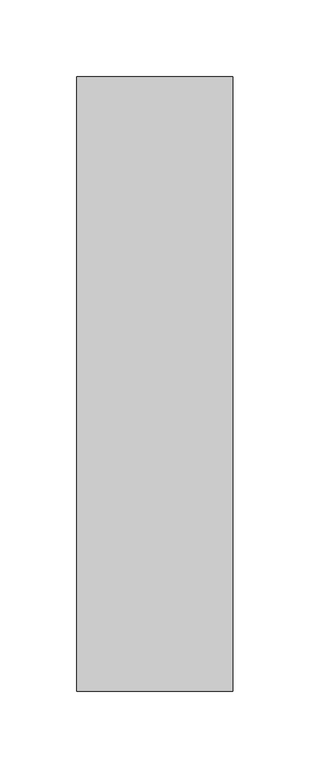
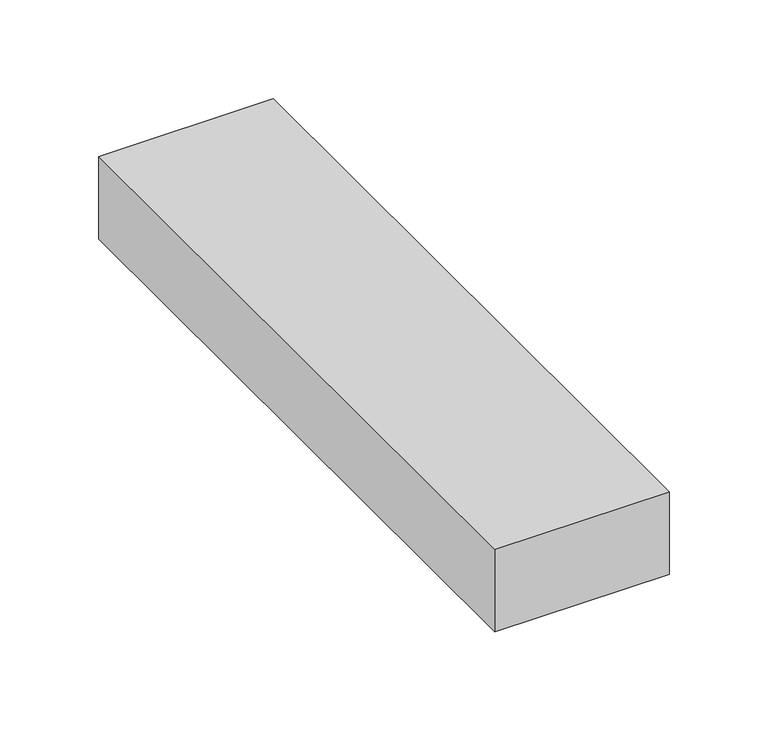
"""IFC4 building model written with IfcOpenShell, lengths in millimetres: proxy geometry."""

import ifcopenshell
import ifcopenshell.guid

model = None  # the IFC model being written
_history = None  # IfcOwnerHistory: only IFC2X3 demands one
_inside = {}  # id of a spatial element -> (the spatial element, [elements in it])
_under = {}  # id of a project, library or spatial element -> (it, [spatial elements below it])
_declared = {}  # id of a project -> (the project, [libraries it declares])
_typed = {}  # id of a type object -> (the type object, [elements of that type])
_made_of = {}  # id of a material, layer set ... -> (it, [elements and type objects made of it])


def new_model(schema):
    """Start an empty IFC model of exactly this schema.

    Asked for "IFC4X3", IfcOpenShell would pick the latest addendum, in which some entities
    have other attributes; the version numbers below select the first issue.
    IFC2X3 requires an IfcOwnerHistory on every rooted entity: one is made here for all.
    """
    global model, _history
    if schema == "IFC4X3":
        model = ifcopenshell.file(schema_version=(4, 3, 0, 0))
    else:
        model = ifcopenshell.file(schema=schema)
    _inside.clear()
    _under.clear()
    _declared.clear()
    _typed.clear()
    _made_of.clear()
    _history = None
    if model.schema == "IFC2X3":
        org = make("IfcOrganization", Name="unknown")
        user = make(
            "IfcPersonAndOrganization",
            ThePerson=make("IfcPerson", FamilyName="unknown"),
            TheOrganization=org,
        )
        app = make(
            "IfcApplication",
            ApplicationDeveloper=org,
            Version="unknown",
            ApplicationFullName="unknown",
            ApplicationIdentifier="unknown",
        )
        _history = make(
            "IfcOwnerHistory",
            OwningUser=user,
            OwningApplication=app,
            ChangeAction="ADDED",
            CreationDate=0,
        )
    return model


def make(cls, **values):
    """One entity of the class cls with the attributes given. An attribute that is None is left unset."""
    return model.create_entity(
        cls, **{name: value for name, value in values.items() if value is not None}
    )


def rooted(cls, **values):
    """An entity with a GlobalId (a new one), such as an element, a storey or a relation."""
    return make(cls, GlobalId=ifcopenshell.guid.new(), OwnerHistory=_history, **values)


def si_unit(unit_type, name, prefix=None):
    """IfcSIUnit, for example si_unit("LENGTHUNIT", "METRE", prefix="MILLI")."""
    return make("IfcSIUnit", UnitType=unit_type, Prefix=prefix, Name=name)


def assignment(units):
    """IfcUnitAssignment: the units of a project."""
    return None if units is None else make("IfcUnitAssignment", Units=units)


def point(xyz):
    """IfcCartesianPoint."""
    return None if xyz is None else make("IfcCartesianPoint", Coordinates=xyz)


def direction(xyz):
    """IfcDirection."""
    return None if xyz is None else make("IfcDirection", DirectionRatios=xyz)


def frame(location, z_axis=None, x_axis=None):
    """IfcAxis2Placement3D, a coordinate frame: its origin and axes. An axis left out is left unset."""
    return make(
        "IfcAxis2Placement3D",
        Location=point(location),
        Axis=direction(z_axis),
        RefDirection=direction(x_axis),
    )


def origin():
    """The frame at (0, 0, 0) with its axes left unset."""
    return frame((0.0, 0.0, 0.0))


def origin_with_axes():
    """The frame at (0, 0, 0) with the z axis (0, 0, 1) and the x axis (1, 0, 0) written out."""
    return frame((0.0, 0.0, 0.0), z_axis=(0.0, 0.0, 1.0), x_axis=(1.0, 0.0, 0.0))


def place(relative_to, where):
    """IfcLocalPlacement: puts the frame where relative to a parent placement (None: the world)."""
    return make(
        "IfcLocalPlacement", PlacementRelTo=relative_to, RelativePlacement=where
    )


def context(
    kind, dimensions, precision=None, world=None, true_north=None, identifier=None
):
    """IfcGeometricRepresentationContext, for example the 3D "Model" context."""
    return make(
        "IfcGeometricRepresentationContext",
        ContextIdentifier=identifier,
        ContextType=kind,
        CoordinateSpaceDimension=dimensions,
        Precision=precision,
        WorldCoordinateSystem=world,
        TrueNorth=true_north,
    )


def project(units=None, contexts=None):
    """IfcProject with its units and contexts."""
    return rooted(
        "IfcProject",
        Name="project",
        RepresentationContexts=contexts,
        UnitsInContext=assignment(units),
    )


def spatial(cls, under=None, at=None, **own):
    """A site, building, storey or space (cls), placed at a placement, below another one or the project."""
    s = rooted(cls, ObjectPlacement=at, **own)
    if under is not None:
        _under.setdefault(under.id(), (under, []))[1].append(s)
    return s


def polyline(points):
    """IfcPolyline through the points."""
    return make("IfcPolyline", Points=[point(p) for p in points])


def outline(outer, holes=None, kind="AREA"):
    """IfcArbitraryClosedProfileDef: a profile drawn as a closed curve; with holes, ...WithVoids."""
    if holes is None:
        return make("IfcArbitraryClosedProfileDef", ProfileType=kind, OuterCurve=outer)
    return make(
        "IfcArbitraryProfileDefWithVoids",
        ProfileType=kind,
        OuterCurve=outer,
        InnerCurves=holes,
    )


def extrude(swept, where, along, depth):
    """IfcExtrudedAreaSolid: the profile swept, set in the frame where, extruded along a direction by depth."""
    return make(
        "IfcExtrudedAreaSolid",
        SweptArea=swept,
        Position=where,
        ExtrudedDirection=direction(along),
        Depth=depth,
    )


def shape(context_of_items, identifier, shape_type, items):
    """IfcShapeRepresentation: the items that make up one representation, for example the "Body"."""
    return make(
        "IfcShapeRepresentation",
        ContextOfItems=context_of_items,
        RepresentationIdentifier=identifier,
        RepresentationType=shape_type,
        Items=items,
    )


def source(mapping_origin, context_of_items, identifier, shape_type, items):
    """IfcRepresentationMap: a shape defined once, which mapped items show again and again."""
    return make(
        "IfcRepresentationMap",
        MappingOrigin=mapping_origin,
        MappedRepresentation=shape(context_of_items, identifier, shape_type, items),
    )


def transform(
    local_origin,
    x_axis=None,
    y_axis=None,
    z_axis=None,
    scale=None,
    scale2=None,
    scale3=None,
    uniform=True,
):
    """IfcCartesianTransformationOperator3D, or its non-uniform kind. x_axis, y_axis, z_axis: its Axis1, 2, 3."""
    if uniform:
        return make(
            "IfcCartesianTransformationOperator3D",
            Axis1=direction(x_axis),
            Axis2=direction(y_axis),
            LocalOrigin=point(local_origin),
            Scale=scale,
            Axis3=direction(z_axis),
        )
    return make(
        "IfcCartesianTransformationOperator3DnonUniform",
        Axis1=direction(x_axis),
        Axis2=direction(y_axis),
        LocalOrigin=point(local_origin),
        Scale=scale,
        Axis3=direction(z_axis),
        Scale2=scale2,
        Scale3=scale3,
    )


def mapped(mapping_source, mapping_target):
    """IfcMappedItem: shows the shape of a source again, moved by a transform."""
    return make(
        "IfcMappedItem", MappingSource=mapping_source, MappingTarget=mapping_target
    )


def made_of(thing, what):
    """Note that an element or type object is made of a material, layer set ...; save() writes the relation."""
    if what is not None:
        _made_of.setdefault(what.id(), (what, []))[1].append(thing)
    return thing


def element(
    cls,
    number,
    at=None,
    inside=None,
    cuts=None,
    type_object=None,
    material=None,
    context=None,
    identifier="Body",
    shape_type=None,
    held_by="IfcProductDefinitionShape",
    body=None,
    shapes=None,
    **own,
):
    """One element of the class cls, such as IfcWall. Its Tag is "e" and its number.

    at: its placement. inside: the storey or other place that contains it. cuts: it is an
    opening in that element (IfcRelVoidsElement). A single representation is given by context,
    identifier, shape_type and body (its items); several are given by shapes. held_by: the class
    of the entity that holds the representations. save() writes the other relations.
    """
    e = rooted(cls, Tag="e%d" % number, ObjectPlacement=at, **own)
    if body is not None:
        shapes = [shape(context, identifier, shape_type, body)]
    if shapes is not None:
        e.Representation = make(held_by, Representations=shapes)
    if inside is not None:
        _inside.setdefault(inside.id(), (inside, []))[1].append(e)
    if cuts is not None:
        rooted(
            "IfcRelVoidsElement", RelatingBuildingElement=cuts, RelatedOpeningElement=e
        )
    if type_object is not None:
        _typed.setdefault(type_object.id(), (type_object, []))[1].append(e)
    return made_of(e, material)


def aggregate(whole, parts):
    """IfcRelAggregates: a whole, such as a stair, and the parts it consists of."""
    return rooted("IfcRelAggregates", RelatingObject=whole, RelatedObjects=parts)


def save(model, path):
    """Write the relations noted so far, then the file.

    IfcRelAggregates (storeys below a building ...), IfcRelContainedInSpatialStructure (elements
    in a storey), IfcRelDefinesByType, IfcRelAssociatesMaterial and IfcRelDeclares: one each for
    every whole, place, type object, material and project.
    """
    for whole, parts in _under.values():
        aggregate(whole, parts)
    for where, things in _inside.values():
        rooted(
            "IfcRelContainedInSpatialStructure",
            RelatedElements=things,
            RelatingStructure=where,
        )
    for kind, things in _typed.values():
        rooted("IfcRelDefinesByType", RelatedObjects=things, RelatingType=kind)
    for what, things in _made_of.values():
        rooted("IfcRelAssociatesMaterial", RelatedObjects=things, RelatingMaterial=what)
    for by, libraries in _declared.values():
        rooted("IfcRelDeclares", RelatingContext=by, RelatedDefinitions=libraries)
    model.write(path)


def generic_models_b95adb01(model_context):
    return source(origin(), model_context, "Body", "SweptSolid", [
        extrude(outline(polyline([(101.6, 0.0), (0.0, 0.0), (0.0, 400.0), (101.6, 400.0), (101.6, 0.0)])), origin_with_axes(), (0.0, 0.0, 1.0), 50.8),
    ])


if __name__ == "__main__":
    model = new_model("IFC4")
    model_context = context("Model", 3, world=origin())
    ifc_project = project(units=[si_unit("LENGTHUNIT", "METRE", prefix="MILLI")], contexts=[model_context])
    site = spatial("IfcSite", under=ifc_project)
    building = spatial("IfcBuilding", under=site)
    placement = place(None, origin())
    generic_models_shape = generic_models_b95adb01(model_context)
    element("IfcBuildingElementProxy", 1, Name="Generic Models", at=placement, inside=building, context=model_context, shape_type="MappedRepresentation", body=[
        mapped(generic_models_shape, transform((0.0, 0.0, 0.0), x_axis=(1.0, 0.0, 0.0), y_axis=(0.0, 1.0, 0.0), z_axis=(0.0, 0.0, 1.0))),
    ])
    save(model, "model.ifc")
